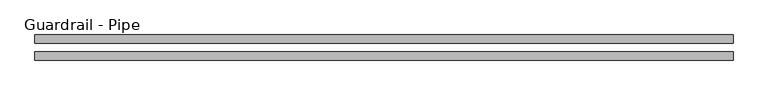
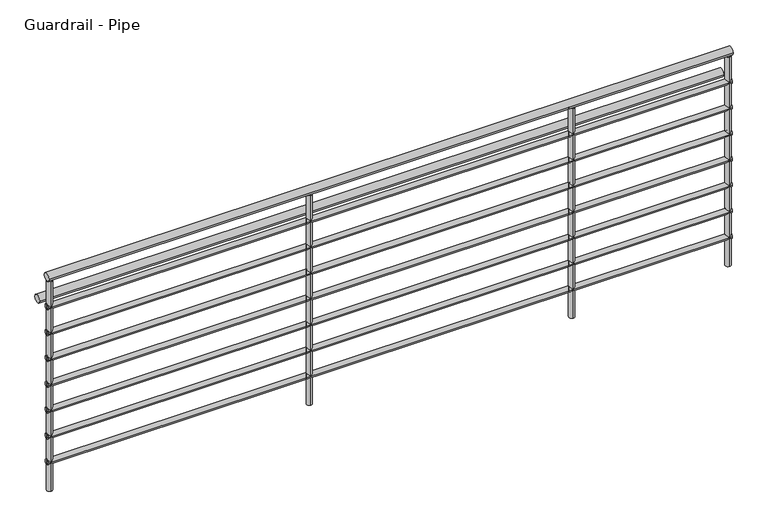
"""IFC4 building model written with IfcOpenShell, lengths in millimetres: railing geometry, Guardrail - Pipe."""

from ifc_helpers import new_model, si_unit, point, frame, frame_2d, origin, origin_with_axes, place, context, project, spatial, circle_curve, trimmed, segment, composite_curve, outline, extrude, source, transform, mapped, element, save


def guardrail_pipe_07998a22(model_context):
    return source(origin(), model_context, "Body", "SweptSolid", [
        extrude(outline(composite_curve([segment(trimmed(circle_curve(frame_2d((-13163.0746663, 1047.75)), 19.05), [point((-13144.0246663, 1047.75))], [point((-13182.1246663, 1047.75))], False, "CARTESIAN"), True, "CONTINUOUS"), segment(trimmed(circle_curve(frame_2d((-13163.0746663, 1047.75)), 19.05), [point((-13182.1246663, 1047.75))], [point((-13144.0246663, 1047.75))], False, "CARTESIAN"), True, "CONTINUOUS")], self_intersect=False)), frame((221.5076908, 0.0, 0.0), z_axis=(1.0, 0.0, 0.0), x_axis=(0.0, 1.0, 0.0)), (0.0, 0.0, 1.0), 3177.3659021),
        extrude(outline(composite_curve([segment(trimmed(circle_curve(frame_2d((-13163.0746663, 901.7)), 12.7), [point((-13150.3746663, 901.7))], [point((-13175.7746663, 901.7))], False, "CARTESIAN"), True, "CONTINUOUS"), segment(trimmed(circle_curve(frame_2d((-13163.0746663, 901.7)), 12.7), [point((-13175.7746663, 901.7))], [point((-13150.3746663, 901.7))], False, "CARTESIAN"), True, "CONTINUOUS")], self_intersect=False)), frame((221.5076908, 0.0, 0.0), z_axis=(1.0, 0.0, 0.0), x_axis=(0.0, 1.0, 0.0)), (0.0, 0.0, 1.0), 3177.3659021),
        extrude(outline(composite_curve([segment(trimmed(circle_curve(frame_2d((-13086.8746663, 895.35)), 19.05), [point((-13067.8246663, 895.35))], [point((-13105.9246663, 895.35))], False, "CARTESIAN"), True, "CONTINUOUS"), segment(trimmed(circle_curve(frame_2d((-13086.8746663, 895.35)), 19.05), [point((-13105.9246663, 895.35))], [point((-13067.8246663, 895.35))], False, "CARTESIAN"), True, "CONTINUOUS")], self_intersect=False)), frame((221.5076908, 0.0, 0.0), z_axis=(1.0, 0.0, 0.0), x_axis=(0.0, 1.0, 0.0)), (0.0, 0.0, 1.0), 3177.3659021),
        extrude(outline(composite_curve([segment(trimmed(circle_curve(frame_2d((-13163.0746663, 774.7)), 12.7), [point((-13150.3746663, 774.7))], [point((-13175.7746663, 774.7))], False, "CARTESIAN"), True, "CONTINUOUS"), segment(trimmed(circle_curve(frame_2d((-13163.0746663, 774.7)), 12.7), [point((-13175.7746663, 774.7))], [point((-13150.3746663, 774.7))], False, "CARTESIAN"), True, "CONTINUOUS")], self_intersect=False)), frame((221.5076908, 0.0, 0.0), z_axis=(1.0, 0.0, 0.0), x_axis=(0.0, 1.0, 0.0)), (0.0, 0.0, 1.0), 3177.3659021),
        extrude(outline(composite_curve([segment(trimmed(circle_curve(frame_2d((-13163.0746663, 647.7)), 12.7), [point((-13150.3746663, 647.7))], [point((-13175.7746663, 647.7))], False, "CARTESIAN"), True, "CONTINUOUS"), segment(trimmed(circle_curve(frame_2d((-13163.0746663, 647.7)), 12.7), [point((-13175.7746663, 647.7))], [point((-13150.3746663, 647.7))], False, "CARTESIAN"), True, "CONTINUOUS")], self_intersect=False)), frame((221.5076908, 0.0, 0.0), z_axis=(1.0, 0.0, 0.0), x_axis=(0.0, 1.0, 0.0)), (0.0, 0.0, 1.0), 3177.3659021),
        extrude(outline(composite_curve([segment(trimmed(circle_curve(frame_2d((-13163.0746663, 520.7)), 12.7), [point((-13150.3746663, 520.7))], [point((-13175.7746663, 520.7))], False, "CARTESIAN"), True, "CONTINUOUS"), segment(trimmed(circle_curve(frame_2d((-13163.0746663, 520.7)), 12.7), [point((-13175.7746663, 520.7))], [point((-13150.3746663, 520.7))], False, "CARTESIAN"), True, "CONTINUOUS")], self_intersect=False)), frame((221.5076908, 0.0, 0.0), z_axis=(1.0, 0.0, 0.0), x_axis=(0.0, 1.0, 0.0)), (0.0, 0.0, 1.0), 3177.3659021),
        extrude(outline(composite_curve([segment(trimmed(circle_curve(frame_2d((-13163.0746663, 393.7)), 12.7), [point((-13150.3746663, 393.7))], [point((-13175.7746663, 393.7))], False, "CARTESIAN"), True, "CONTINUOUS"), segment(trimmed(circle_curve(frame_2d((-13163.0746663, 393.7)), 12.7), [point((-13175.7746663, 393.7))], [point((-13150.3746663, 393.7))], False, "CARTESIAN"), True, "CONTINUOUS")], self_intersect=False)), frame((221.5076908, 0.0, 0.0), z_axis=(1.0, 0.0, 0.0), x_axis=(0.0, 1.0, 0.0)), (0.0, 0.0, 1.0), 3177.3659021),
        extrude(outline(composite_curve([segment(trimmed(circle_curve(frame_2d((-13163.0746663, 266.7)), 12.7), [point((-13150.3746663, 266.7))], [point((-13175.7746663, 266.7))], False, "CARTESIAN"), True, "CONTINUOUS"), segment(trimmed(circle_curve(frame_2d((-13163.0746663, 266.7)), 12.7), [point((-13175.7746663, 266.7))], [point((-13150.3746663, 266.7))], False, "CARTESIAN"), True, "CONTINUOUS")], self_intersect=False)), frame((221.5076908, 0.0, 0.0), z_axis=(1.0, 0.0, 0.0), x_axis=(0.0, 1.0, 0.0)), (0.0, 0.0, 1.0), 3177.3659021),
        extrude(outline(composite_curve([segment(trimmed(circle_curve(frame_2d((-13163.0746663, 139.7)), 12.7), [point((-13150.3746663, 139.7))], [point((-13175.7746663, 139.7))], False, "CARTESIAN"), True, "CONTINUOUS"), segment(trimmed(circle_curve(frame_2d((-13163.0746663, 139.7)), 12.7), [point((-13175.7746663, 139.7))], [point((-13150.3746663, 139.7))], False, "CARTESIAN"), True, "CONTINUOUS")], self_intersect=False)), frame((221.5076908, 0.0, 0.0), z_axis=(1.0, 0.0, 0.0), x_axis=(0.0, 1.0, 0.0)), (0.0, 0.0, 1.0), 3177.3659021),
        extrude(outline(composite_curve([segment(trimmed(circle_curve(frame_2d((2659.9076908, -13163.0746663)), 12.7), [point((2659.9076908, -13150.3746663))], [point((2659.9076908, -13175.7746663))], False, "CARTESIAN"), True, "CONTINUOUS"), segment(trimmed(circle_curve(frame_2d((2659.9076908, -13163.0746663)), 12.7), [point((2659.9076908, -13175.7746663))], [point((2659.9076908, -13150.3746663))], False, "CARTESIAN"), True, "CONTINUOUS")], self_intersect=False)), origin_with_axes(), (0.0, 0.0, 1.0), 1028.7),
        extrude(outline(composite_curve([segment(trimmed(circle_curve(frame_2d((1440.7076908, -13163.0746663)), 12.7), [point((1440.7076908, -13150.3746663))], [point((1440.7076908, -13175.7746663))], False, "CARTESIAN"), True, "CONTINUOUS"), segment(trimmed(circle_curve(frame_2d((1440.7076908, -13163.0746663)), 12.7), [point((1440.7076908, -13175.7746663))], [point((1440.7076908, -13150.3746663))], False, "CARTESIAN"), True, "CONTINUOUS")], self_intersect=False)), origin_with_axes(), (0.0, 0.0, 1.0), 1028.7),
        extrude(outline(composite_curve([segment(trimmed(circle_curve(frame_2d((3386.1735928, -13163.0746663)), 12.7), [point((3386.1735928, -13150.3746663))], [point((3386.1735928, -13175.7746663))], False, "CARTESIAN"), True, "CONTINUOUS"), segment(trimmed(circle_curve(frame_2d((3386.1735928, -13163.0746663)), 12.7), [point((3386.1735928, -13175.7746663))], [point((3386.1735928, -13150.3746663))], False, "CARTESIAN"), True, "CONTINUOUS")], self_intersect=False)), origin_with_axes(), (0.0, 0.0, 1.0), 1028.7),
        extrude(outline(composite_curve([segment(trimmed(circle_curve(frame_2d((234.2076908, -13163.0746663)), 12.7), [point((234.2076908, -13150.3746663))], [point((234.2076908, -13175.7746663))], False, "CARTESIAN"), True, "CONTINUOUS"), segment(trimmed(circle_curve(frame_2d((234.2076908, -13163.0746663)), 12.7), [point((234.2076908, -13175.7746663))], [point((234.2076908, -13150.3746663))], False, "CARTESIAN"), True, "CONTINUOUS")], self_intersect=False)), origin_with_axes(), (0.0, 0.0, 1.0), 1028.7),
    ])


if __name__ == "__main__":
    model = new_model("IFC4")
    model_context = context("Model", 3, world=origin())
    ifc_project = project(units=[si_unit("LENGTHUNIT", "METRE", prefix="MILLI")], contexts=[model_context])
    site = spatial("IfcSite", under=ifc_project)
    building = spatial("IfcBuilding", under=site)
    placement = place(None, origin())
    guardrail_pipe_shape = guardrail_pipe_07998a22(model_context)
    element("IfcRailing", 1, ObjectType="Guardrail - Pipe", at=placement, inside=building, context=model_context, shape_type="MappedRepresentation", body=[
        mapped(guardrail_pipe_shape, transform((0.0, 0.0, 0.0), x_axis=(1.0, 0.0, 0.0), y_axis=(0.0, 1.0, 0.0), z_axis=(0.0, 0.0, 1.0))),
    ])
    save(model, "model.ifc")
